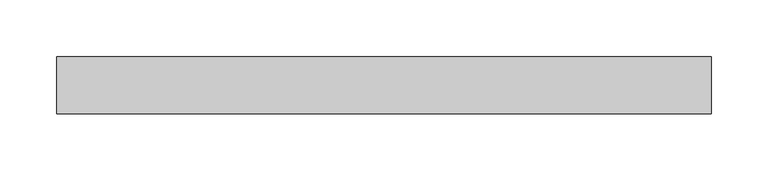
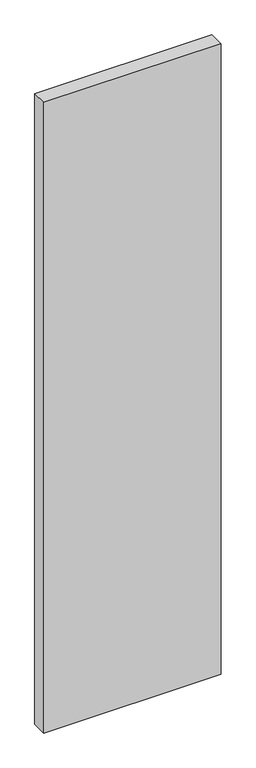
"""IFC4 building model written with IfcOpenShell, lengths in millimetres: plate geometry."""

from ifc_helpers import new_model, si_unit, origin, origin_with_axes, place, context, project, spatial, polyline, outline, extrude, source, transform, mapped, element, save


def plate_8906afd4(model_context):
    return source(origin(), model_context, "Body", "SweptSolid", [
        extrude(outline(polyline([(288.0, -25.0), (-288.0, -25.0), (-288.0, 25.0), (288.0, 25.0), (288.0, -25.0)])), origin_with_axes(), (0.0, 0.0, 1.0), 2165.0),
    ])


if __name__ == "__main__":
    model = new_model("IFC4")
    model_context = context("Model", 3, world=origin())
    ifc_project = project(units=[si_unit("LENGTHUNIT", "METRE", prefix="MILLI")], contexts=[model_context])
    site = spatial("IfcSite", under=ifc_project)
    building = spatial("IfcBuilding", under=site)
    placement = place(None, origin())
    plate_shape = plate_8906afd4(model_context)
    element("IfcPlate", 1, at=placement, inside=building, context=model_context, shape_type="MappedRepresentation", body=[
        mapped(plate_shape, transform((0.0, 0.0, 0.0), x_axis=(1.0, 0.0, 0.0), y_axis=(0.0, 1.0, 0.0), z_axis=(0.0, 0.0, 1.0))),
    ])
    save(model, "model.ifc")
